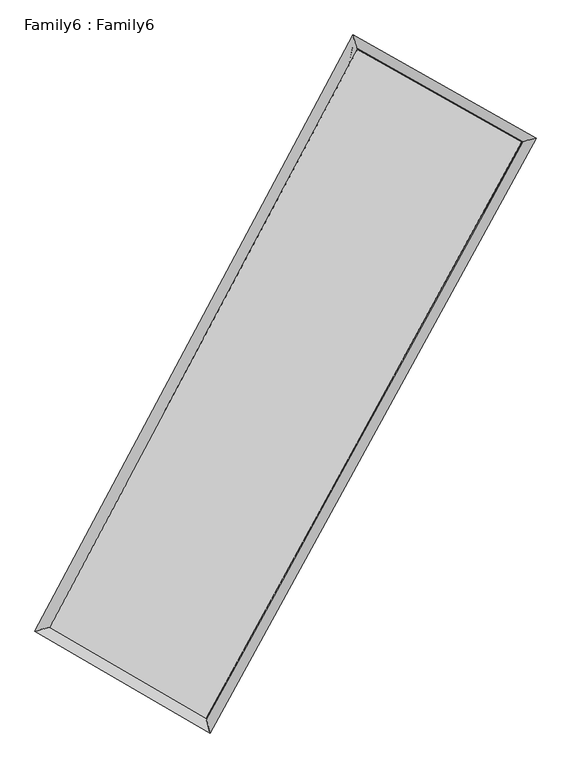
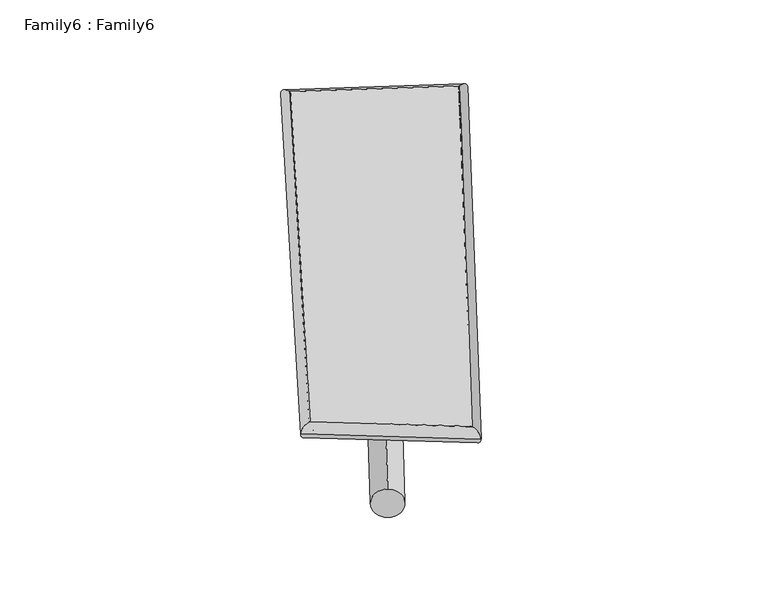
"""IFC4 building model written with IfcOpenShell, lengths in millimetres: plate geometry, Family6 : Family6."""

from ifc_helpers import new_model, si_unit, point, frame, origin, origin_2d, place, context, project, spatial, circle_curve, ellipse_curve, trimmed, segment, composite_curve, outline, extrude, source, transform, mapped, element, save
from ifc_brep_helpers import plane_surface, cylinder_surface, spline_surface, advanced_brep


def family6_family6_4dd611be(model_context):
    return source(origin(), model_context, "Body", "SolidModel", [
        extrude(outline(composite_curve([segment(trimmed(circle_curve(origin_2d(), 76.2), [point((-75.4341514, -10.7763073))], [point((75.4341514, 10.7763073))], False, "CARTESIAN"), True, "CONTINUOUS"), segment(trimmed(circle_curve(origin_2d(), 76.2), [point((75.4341514, 10.7763073))], [point((-75.4341514, -10.7763073))], False, "CARTESIAN"), True, "CONTINUOUS")], self_intersect=False)), frame((9144.0, 9144.0, 0.0), z_axis=(0.6746235774136997, 0.6821584149979648, 0.2820335541119291), x_axis=(-0.6753216425027512, 0.7246297372694434, -0.137304126056736)), (0.0, 0.0, 1.0), 5568.1663336),
        extrude(outline(composite_curve([segment(trimmed(circle_curve(origin_2d(), 76.2), [point((-53.8815368, 53.8815367))], [point((53.8815368, -53.8815367))], False, "CARTESIAN"), True, "CONTINUOUS"), segment(trimmed(circle_curve(origin_2d(), 76.2), [point((53.8815368, -53.8815367))], [point((-53.8815368, 53.8815367))], False, "CARTESIAN"), True, "CONTINUOUS")], self_intersect=False)), frame((9144.0, 9144.0, 0.0), z_axis=(-0.6672081207235873, -0.688600218168554, 0.2840124349015711), x_axis=(0.6493601161191357, -0.3509174387302767, 0.6746765082531964)), (0.0, 0.0, 1.0), 5534.2941697),
        extrude(outline(composite_curve([segment(trimmed(circle_curve(origin_2d(), 76.2), [point((-53.8815367, -53.8815367))], [point((53.8815367, 53.8815367))], False, "CARTESIAN"), True, "CONTINUOUS"), segment(trimmed(circle_curve(origin_2d(), 76.2), [point((53.8815367, 53.8815367))], [point((-53.8815367, -53.8815367))], False, "CARTESIAN"), True, "CONTINUOUS")], self_intersect=False)), frame((9144.0, 9144.0, 0.0), z_axis=(0.20645180245995584, 0.942182676264563, 0.26394972591003263), x_axis=(-0.8496661859827437, 0.30640840320510193, -0.4291634453711516)), (0.0, 0.0, 1.0), 5586.220762),
        extrude(outline(composite_curve([segment(trimmed(circle_curve(origin_2d(), 76.2), [point((-75.4341514, 10.7763074))], [point((75.4341514, -10.7763074))], False, "CARTESIAN"), True, "CONTINUOUS"), segment(trimmed(circle_curve(origin_2d(), 76.2), [point((75.4341514, -10.7763074))], [point((-75.4341514, 10.7763074))], False, "CARTESIAN"), True, "CONTINUOUS")], self_intersect=False)), frame((9144.0, 9144.0, 0.0), z_axis=(-0.21647894432565107, -0.9400459514348569, 0.26353458189502643), x_axis=(0.8956129428020598, -0.08377218171988729, 0.43687490000608253)), (0.0, 0.0, 1.0), 5589.1641834),
        advanced_brep(
        [(5248.1342173, 5275.4660774, 1565.8832886), (5247.9624425, 5275.1556883, 1580.399595), (5654.8137577, 5390.7015773, 1577.7334366), (10358.1943922, 14198.1456312, 1483.2671989), (10236.3762983, 14616.3352243, 1465.6956791), (5654.9855326, 5391.0119664, 1563.2171301), (12694.3096275, 12883.5354013, 1569.3556717), (13106.5229557, 13001.2076398, 1571.4638102), (7875.5734264, 4100.1613021, 1474.7811586), (7992.5538495, 3679.6963728, 1471.0949338)],
        [
            (0, 1, ellipse_curve(frame((5451.4739875, 5333.0838274, 1571.8083626), z_axis=(-0.2730502472264496, 0.9618435706879198, 0.017335167027965687), x_axis=(-0.9613582645017379, -0.27348183266276394, 0.03159073404690989)), 211.7777099, 152.4)),
            (1, 2, ellipse_curve(frame((5451.4739875, 5333.0838274, 1571.8083626), z_axis=(-0.2730502472264496, 0.9618435706879198, 0.017335167027965687), x_axis=(-0.9613582645017379, -0.27348183266276394, 0.03159073404690989)), 211.7777099, 152.4)),
            (2, 3),
            (3, 4, ellipse_curve(frame((10297.2853453, 14407.2404277, 1474.481439), z_axis=(-0.9597862096789398, -0.28026474999100387, -0.01618955288494196), x_axis=(0.2797313162286691, -0.9596383083911921, 0.029063857092055077)), 217.9771235, 152.4)),
            (4, 0),
            (2, 5, ellipse_curve(frame((5451.4739875, 5333.0838274, 1571.8083626), z_axis=(-0.2730502472264496, 0.9618435706879198, 0.017335167027965687), x_axis=(-0.9613582645017379, -0.27348183266276394, 0.03159073404690989)), 211.7777099, 152.4)),
            (5, 0, ellipse_curve(frame((5451.4739875, 5333.0838274, 1571.8083626), z_axis=(-0.2730502472264496, 0.9618435706879198, 0.017335167027965687), x_axis=(-0.9613582645017379, -0.27348183266276394, 0.03159073404690989)), 211.7777099, 152.4)),
            (4, 3, ellipse_curve(frame((10297.2853453, 14407.2404277, 1474.481439), z_axis=(-0.9597862096789398, -0.28026474999100387, -0.01618955288494196), x_axis=(0.2797313162286691, -0.9596383083911921, 0.029063857092055077)), 217.9771235, 152.4)),
            (3, 6),
            (6, 7, ellipse_curve(frame((12900.4162916, 12942.3715206, 1570.4097409), z_axis=(-0.2743887400213598, 0.9614867461153157, -0.015939146591737743), x_axis=(-0.9610603453559391, -0.27475654378962455, -0.029527177804575748)), 214.4061921, 152.4)),
            (7, 4),
            (7, 6, ellipse_curve(frame((12900.4162916, 12942.3715206, 1570.4097409), z_axis=(-0.2743887400213598, 0.9614867461153157, -0.015939146591737743), x_axis=(-0.9610603453559391, -0.27475654378962455, -0.029527177804575748)), 214.4061921, 152.4)),
            (6, 8),
            (8, 9, ellipse_curve(frame((7934.0636379, 3889.9288375, 1472.9380462), z_axis=(0.9632141968557666, 0.26813918542723486, -0.01788262323931928), x_axis=(-0.26752856275455944, 0.9630631270002729, 0.030624851394515422)), 218.2815534, 152.4)),
            (9, 7),
            (9, 8, ellipse_curve(frame((7934.0636379, 3889.9288375, 1472.9380462), z_axis=(0.9632141968557666, 0.26813918542723486, -0.01788262323931928), x_axis=(-0.26752856275455944, 0.9630631270002729, 0.030624851394515422)), 218.2815534, 152.4)),
            (8, 5),
            (1, 9),
        ],
        [
            cylinder_surface(frame((5451.4739875, 5333.0838274, 1571.8083626), z_axis=(-0.47104094754771186, -0.8820606102262023, 0.009460741024557233), x_axis=(-0.8812980723341797, 0.47011915839471774, -0.047975875294793226)), 152.4),
            cylinder_surface(frame((10297.2853453, 14407.2404277, 1474.481439), z_axis=(-0.8710395057274475, 0.4901630825144856, -0.032098785054605596), x_axis=(0.4909593630212987, 0.8708285905211194, -0.024828809732271848)), 152.4),
            cylinder_surface(frame((12900.4162916, 12942.3715206, 1570.4097409), z_axis=(0.4809682715125755, 0.8766871814914156, 0.009439682560505744), x_axis=(0.8767346628232656, -0.4809682715125755, -0.002419256575912527)), 152.4),
            cylinder_surface(frame((7934.0636379, 3889.9288375, 1472.9380462), z_axis=(0.8640271376175392, -0.5022678938762819, -0.03441029266841462), x_axis=(-0.5017406239439458, -0.8647076741624743, 0.023172926635712063)), 152.4),
        ],
        [
            (0, [[1, 2, 3, 4, 5]]),
            (0, [[6, 7, -5, 8, -3]]),
            (1, [[-4, 9, 10, 11]]),
            (1, [[-8, -11, 12, -9]]),
            (2, [[-10, 13, 14, 15]]),
            (2, [[-12, -15, 16, -13]]),
            (3, [[-14, 17, -6, -2, 18]]),
            (3, [[-16, -18, -1, -7, -17]]),
        ],
    ),
        extrude(outline(composite_curve([segment(trimmed(circle_curve(origin_2d(), 304.8), [point((0.0, 304.8))], [point((1e-07, -304.8000001))], False, "CARTESIAN"), True, "CONTINUOUS"), segment(trimmed(circle_curve(origin_2d(), 304.8), [point((1e-07, -304.8000001))], [point((0.0, 304.8))], False, "CARTESIAN"), True, "CONTINUOUS")], self_intersect=False)), frame((11650.6113901, 13667.2699542, -0.1012711), z_axis=(-0.4847093128499994, -0.8746753006990575, 1.958302427819666e-05), x_axis=(-0.8746753009036236, 0.4847093128499994, -5.063316424913695e-06)), (0.0, 0.0, 1.0), 10342.7407875),
        advanced_brep(
        [(5451.4739875, 5333.0838274, 1571.8083626), (7934.0636379, 3889.9288375, 1472.9380462), (7934.0404434, 3889.9369182, 1625.3380442), (5451.450793, 5333.0919081, 1724.2083606), (12900.4162916, 12942.3715206, 1570.4097409), (12900.3930971, 12942.3796013, 1722.809739), (10297.2853453, 14407.2404277, 1474.481439), (10297.2621507, 14407.2485085, 1626.881437)],
        [
            (0, 1),
            (1, 2),
            (2, 3),
            (3, 0),
            (1, 4),
            (4, 5),
            (5, 2),
            (4, 6),
            (6, 7),
            (7, 5),
            (6, 0),
            (3, 7),
        ],
        [
            plane_surface(frame((6692.7688127, 4611.5063324, 1522.3732044), z_axis=(-0.502566429971907, -0.8645385951627796, -3.0647345372640175e-05), x_axis=(0.8640271376175395, -0.5022678938762817, -0.03441029266841461))),
            plane_surface(frame((10417.2399648, 8416.150179, 1521.6738936), z_axis=(0.8767255111072254, -0.48099101125984617, 0.00015893711141738275), x_axis=(0.4809682715125755, 0.8766871814914158, 0.009439682560505761))),
            plane_surface(frame((11598.8508184, 13674.8059741, 1522.44559), z_axis=(0.4904149972830149, 0.8714890301269824, 2.842942107810116e-05), x_axis=(-0.8710395057274474, 0.49016308251448565, -0.03209878505460559))),
            plane_surface(frame((7874.3796664, 9870.1621275, 1523.1449008), z_axis=(-0.8821007860338039, 0.4710606945233052, -0.00015922866247200865), x_axis=(-0.4710409475477119, -0.8820606102262021, 0.009460741024557236))),
            spline_surface(1, 1, [[(7934.0404434, 3889.9369182, 1625.3380442), (5451.450793, 5333.0919081, 1724.2083606)], [(12900.3930971, 12942.3796013, 1722.809739), (10297.2621507, 14407.2485085, 1626.881437)]], [2, 2], [2, 2], [0.0, 1.0], [0.0, 1.0]),
            spline_surface(1, 1, [[(10297.2853453, 14407.2404277, 1474.481439), (5451.4739875, 5333.0838274, 1571.8083626)], [(12900.4162916, 12942.3715206, 1570.4097409), (7934.0636379, 3889.9288375, 1472.9380462)]], [2, 2], [2, 2], [0.0, 1.0], [0.0, 1.0]),
        ],
        [
            (0, [[1, 2, 3, 4]]),
            (1, [[5, 6, 7, -2]]),
            (2, [[8, 9, 10, -6]]),
            (3, [[11, -4, 12, -9]]),
            (4, [[-3, -7, -10, -12]]),
            (5, [[-11, -8, -5, -1]]),
        ],
    ),
    ])


if __name__ == "__main__":
    model = new_model("IFC4")
    model_context = context("Model", 3, world=origin())
    ifc_project = project(units=[si_unit("LENGTHUNIT", "METRE", prefix="MILLI")], contexts=[model_context])
    site = spatial("IfcSite", under=ifc_project)
    building = spatial("IfcBuilding", under=site)
    placement = place(None, origin())
    family6_family6_shape = family6_family6_4dd611be(model_context)
    element("IfcPlate", 1, ObjectType="Family6 : Family6", at=placement, inside=building, context=model_context, shape_type="MappedRepresentation", body=[
        mapped(family6_family6_shape, transform((0.0, 0.0, 0.0), x_axis=(1.0, 0.0, 0.0), y_axis=(0.0, 1.0, 0.0), z_axis=(0.0, 0.0, 1.0))),
    ])
    save(model, "model.ifc")
